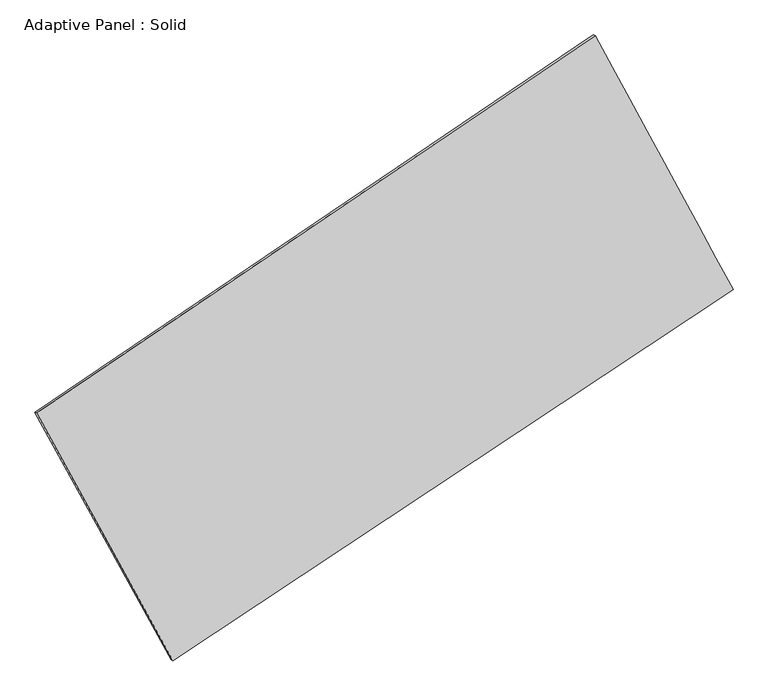
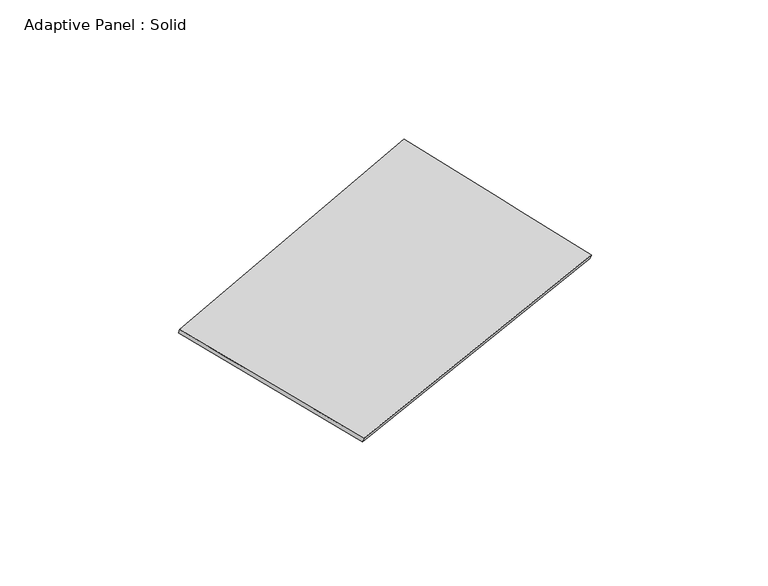
"""IFC4 building model written with IfcOpenShell, lengths in millimetres: plate geometry, Adaptive Panel : Solid."""

from ifc_helpers import new_model, si_unit, frame, origin, place, context, project, spatial, source, transform, mapped, element, save
from ifc_brep_helpers import plane_surface, spline_surface, advanced_brep


def adaptive_panel_solid_004e7b3b(model_context):
    return source(origin(), model_context, "Body", "AdvancedBrep", [
        advanced_brep(
        [(1162.7863993, 2606.3478632, 688.1960046), (-3645.3133293, -645.7921694, 1710.5646724), (-3630.6469735, -652.1722629, 1757.9375804), (1177.4527551, 2599.9677697, 735.5689127), (-2471.9750876, -2779.3237787, 1088.5594487), (-2457.3087317, -2785.7038722, 1135.9323567), (2351.2114394, 418.5195121, -2.1976054), (2365.8777953, 412.1394187, 45.1753026)],
        [
            (0, 1),
            (1, 2),
            (2, 3),
            (3, 0),
            (1, 4),
            (4, 5),
            (5, 2),
            (4, 6),
            (6, 7),
            (7, 5),
            (6, 0),
            (3, 7),
        ],
        [
            plane_surface(frame((-1241.263465, 980.2778469, 1199.3803385), z_axis=(-0.5006499152254147, 0.8237860396437952, 0.2659440228182932), x_axis=(-0.8157589337813806, -0.5517693964859083, 0.17345862635637815))),
            plane_surface(frame((-3058.6442084, -1712.5579741, 1399.5620605), z_axis=(-0.8359953417995052, -0.5149916338951004, 0.18946082842525358), x_axis=(0.46689254576887124, -0.8489708841728795, -0.24750714844662908))),
            plane_surface(frame((-60.3818241, -1180.4021333, 543.1809216), z_axis=(0.49086797998583465, -0.83033687156891, -0.2637978505177432), x_axis=(0.8190308644039141, 0.5430294557536112, -0.18522271280195113))),
            plane_surface(frame((1756.9989194, 1512.4336877, 342.9991996), z_axis=(0.836424522669393, 0.5142063112341339, -0.18969946590400188), x_axis=(-0.45996729811775133, 0.846775742186833, 0.2672095191159813))),
            spline_surface(1, 1, [[(-3630.6469735, -652.1722629, 1757.9375804), (1177.4527551, 2599.9677697, 735.5689127)], [(-2457.3087317, -2785.7038722, 1135.9323567), (2365.8777953, 412.1394187, 45.1753026)]], [2, 2], [2, 2], [0.0, 1.0], [0.0, 1.0]),
            spline_surface(1, 1, [[(2351.2114394, 418.5195121, -2.1976054), (1162.7863993, 2606.3478632, 688.1960046)], [(-2471.9750876, -2779.3237787, 1088.5594487), (-3645.3133293, -645.7921694, 1710.5646724)]], [2, 2], [2, 2], [0.0, 1.0], [0.0, 1.0]),
        ],
        [
            (0, [[1, 2, 3, 4]]),
            (1, [[5, 6, 7, -2]]),
            (2, [[8, 9, 10, -6]]),
            (3, [[11, -4, 12, -9]]),
            (4, [[-3, -7, -10, -12]]),
            (5, [[-11, -8, -5, -1]]),
        ],
    ),
    ])


if __name__ == "__main__":
    model = new_model("IFC4")
    model_context = context("Model", 3, world=origin())
    ifc_project = project(units=[si_unit("LENGTHUNIT", "METRE", prefix="MILLI")], contexts=[model_context])
    site = spatial("IfcSite", under=ifc_project)
    building = spatial("IfcBuilding", under=site)
    placement = place(None, origin())
    adaptive_panel_solid_shape = adaptive_panel_solid_004e7b3b(model_context)
    element("IfcPlate", 1, ObjectType="Adaptive Panel : Solid", at=placement, inside=building, context=model_context, shape_type="MappedRepresentation", body=[
        mapped(adaptive_panel_solid_shape, transform((0.0, 0.0, 0.0), x_axis=(1.0, 0.0, 0.0), y_axis=(0.0, 1.0, 0.0), z_axis=(0.0, 0.0, 1.0))),
    ])
    save(model, "model.ifc")
